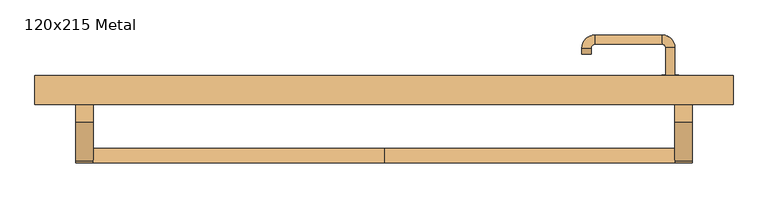
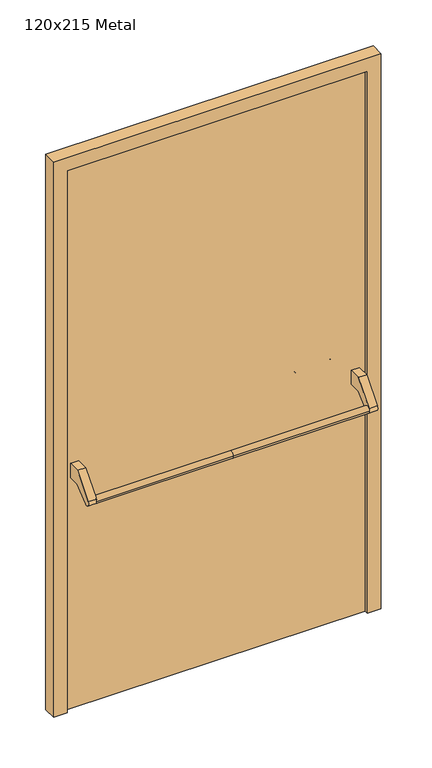
"""IFC4 building model written with IfcOpenShell, lengths in millimetres: door geometry, 120x215 Metal."""

from ifc_helpers import new_model, si_unit, point, frame, frame_2d, origin, origin_with_axes, place, context, project, spatial, polyline, circle_curve, ellipse_curve, trimmed, segment, composite_curve, outline, extrude, source, transform, mapped, element, save
from ifc_brep_helpers import plane_surface, cylinder_surface, revolved_surface, advanced_brep


def door_120x215_metal_ec084b5c(model_context):
    return source(origin(), model_context, "Body", "SolidModel", [
        advanced_brep(
        [(-500.0, -50.4171435, 861.5304884), (-500.0, -75.4171435, 861.5304884), (0.0, -50.4171435, 861.5304884), (0.0, -75.4171435, 861.5304884), (500.0, -50.4171435, 861.5304884), (500.0, -75.4171435, 861.5304884)],
        [
            (0, 1, circle_curve(frame((-500.0, -62.9171435, 861.5304884), z_axis=(-1.0, 0.0, 0.0), x_axis=(0.0, -1.0, 0.0)), 12.5)),
            (1, 0, circle_curve(frame((-500.0, -62.9171435, 861.5304884), z_axis=(-1.0, 0.0, 0.0), x_axis=(0.0, -1.0, 0.0)), 12.5)),
            (0, 2),
            (2, 3, circle_curve(frame((0.0, -62.9171435, 861.5304884), z_axis=(-1.0, 0.0, 0.0), x_axis=(0.0, -1.0, 0.0)), 12.5)),
            (3, 1),
            (3, 2, circle_curve(frame((0.0, -62.9171435, 861.5304884), z_axis=(-1.0, 0.0, 0.0), x_axis=(0.0, -1.0, 0.0)), 12.5)),
            (4, 5, circle_curve(frame((500.0, -62.9171435, 861.5304884), z_axis=(1.0, 0.0, 0.0), x_axis=(0.0, -1.0, 0.0)), 12.5)),
            (5, 4, circle_curve(frame((500.0, -62.9171435, 861.5304884), z_axis=(1.0, 0.0, 0.0), x_axis=(0.0, -1.0, 0.0)), 12.5)),
            (5, 3),
            (2, 4),
        ],
        [
            plane_surface(frame((-500.0, -75.4171435, 861.5304884), z_axis=(-1.0, 0.0, 0.0), x_axis=(0.0, 0.0, -1.0))),
            cylinder_surface(frame((-500.0, -62.9171435, 861.5304884), z_axis=(1.0, 0.0, 0.0), x_axis=(0.0, -1.0, 0.0)), 12.5),
            plane_surface(frame((500.0, -75.4171435, 861.5304884), z_axis=(1.0, 0.0, 0.0), x_axis=(0.0, 0.0, 1.0))),
            cylinder_surface(frame((0.0, -62.9171435, 861.5304884), z_axis=(1.0, 0.0, 0.0), x_axis=(0.0, -1.0, 0.0)), 12.5),
        ],
        [
            (0, [[1, 2]]),
            (1, [[3, 4, 5, -1]]),
            (1, [[-5, 6, -3, -2]]),
            (2, [[7, 8]]),
            (3, [[9, -4, 10, -8]]),
            (3, [[-10, -6, -9, -7]]),
        ],
    ),
        extrude(outline(composite_curve([segment(polyline([(-5.0, 950.0), (40.0, 950.0), (40.0, 895.2768379), (-3.5486991, 895.2768379), (-53.3415879, 853.4956432)]), True, "CONTINUOUS"), segment(trimmed(circle_curve(frame_2d((-62.9171435, 861.5304884)), 12.5), [point((-53.3415879, 853.4956432))], [point((-72.492699, 869.5653335))], False, "CARTESIAN"), True, "CONTINUOUS"), segment(polyline([(-72.492699, 869.5653335), (-5.0, 950.0)]), True, "CONTINUOUS")], self_intersect=False)), frame((-530.0, 0.0, 0.0), z_axis=(1.0, 0.0, 0.0), x_axis=(0.0, 1.0, 0.0)), (0.0, 0.0, 1.0), 30.0),
        extrude(outline(composite_curve([segment(polyline([(-5.0, 950.0), (40.0, 950.0), (40.0, 895.2768379), (-3.5486991, 895.2768379), (-53.3415879, 853.4956432)]), True, "CONTINUOUS"), segment(trimmed(circle_curve(frame_2d((-62.9171435, 861.5304884)), 12.5), [point((-53.3415879, 853.4956432))], [point((-72.492699, 869.5653335))], False, "CARTESIAN"), True, "CONTINUOUS"), segment(polyline([(-72.492699, 869.5653335), (-5.0, 950.0)]), True, "CONTINUOUS")], self_intersect=False)), frame((500.0, 0.0, 0.0), z_axis=(1.0, 0.0, 0.0), x_axis=(0.0, 1.0, 0.0)), (0.0, 0.0, 1.0), 30.0),
        extrude(outline(composite_curve([segment(trimmed(circle_curve(frame_2d((0.0, -15.0)), 15.0), [point((0.0, -30.0))], [point((0.0, 0.0))], False, "CARTESIAN"), True, "CONTINUOUS"), segment(trimmed(circle_curve(frame_2d((0.0, -15.0)), 15.0), [point((0.0, 0.0))], [point((0.0, -30.0))], False, "CARTESIAN"), True, "CONTINUOUS")], self_intersect=False), holes=[composite_curve([segment(trimmed(circle_curve(frame_2d((4.7772515, -14.9398032)), 2.0), [point((4.7772515, -16.9398032))], [point((4.7772515, -12.9398032))], True, "CARTESIAN"), True, "CONTINUOUS"), segment(polyline([(4.7772515, -12.9398032), (-5.2227485, -12.9398032)]), True, "CONTINUOUS"), segment(trimmed(circle_curve(frame_2d((-5.2227485, -14.9398032)), 2.0), [point((-5.2227485, -12.9398032))], [point((-5.2227485, -16.9398032))], True, "CARTESIAN"), True, "CONTINUOUS"), segment(polyline([(-5.2227485, -16.9398032), (4.7772515, -16.9398032)]), True, "CONTINUOUS")], self_intersect=False)]), frame((477.0, 70.0, 897.3605726), z_axis=(1.8870575173328306e-12, 1.0, 0.0), x_axis=(0.0, 0.0, -1.0)), (0.0, 0.0, 1.0), 6.35),
        extrude(outline(composite_curve([segment(trimmed(circle_curve(frame_2d((0.0, -17.526)), 17.526), [point((0.0, -35.052))], [point((0.0, 0.0))], False, "CARTESIAN"), True, "CONTINUOUS"), segment(trimmed(circle_curve(frame_2d((0.0, -17.526)), 17.526), [point((0.0, 0.0))], [point((0.0, -35.052))], False, "CARTESIAN"), True, "CONTINUOUS")], self_intersect=False)), frame((474.474, 70.0, 950.0), z_axis=(1.8870575173328306e-12, 1.0, 0.0), x_axis=(0.0, 0.0, -1.0)), (0.0, 0.0, 1.0), 3.175),
        advanced_brep(
        [(500.0, 70.0, 950.0), (484.0, 70.0, 950.0), (500.0, 123.0, 950.0), (484.0, 123.0, 950.0), (477.8578644, 129.1421356, 950.0), (477.8578644, 145.1421356, 950.0), (362.8578644, 145.1421356, 950.0), (362.8578644, 129.1421356, 950.0), (356.008622, 122.2928932, 950.0), (340.008622, 122.2928932, 950.0), (340.008622, 112.2928932, 950.0), (356.008622, 112.2928932, 950.0)],
        [
            (0, 1, circle_curve(frame((492.0, 70.0, 950.0), z_axis=(-1.888672253512351e-12, -1.0, 0.0), x_axis=(-1.0, 1.888672253512351e-12, 0.0)), 8.0)),
            (1, 0, circle_curve(frame((492.0, 70.0, 950.0), z_axis=(-1.888672253512351e-12, -1.0, 0.0), x_axis=(-1.0, 1.888672253512351e-12, 0.0)), 8.0)),
            (0, 2),
            (2, 3, circle_curve(frame((492.0, 123.0, 950.0), z_axis=(-1.888672253512351e-12, -1.0, 0.0), x_axis=(-1.0, 1.888672253512351e-12, 0.0)), 8.0)),
            (3, 1),
            (3, 2, circle_curve(frame((492.0, 123.0, 950.0), z_axis=(-1.888672253512351e-12, -1.0, 0.0), x_axis=(-1.0, 1.888672253512351e-12, 0.0)), 8.0)),
            (4, 3, circle_curve(frame((477.8578644, 123.0, 950.0), z_axis=(0.0, 0.0, -1.0), x_axis=(1.0, -1.880717803715015e-12, 0.0)), 6.1421356)),
            (2, 5, circle_curve(frame((477.8578644, 123.0, 950.0), z_axis=(0.0, 0.0, 1.0), x_axis=(1.0, -1.880717803715015e-12, 0.0)), 22.1421356)),
            (5, 4, circle_curve(frame((477.8578644, 137.1421356, 950.0), z_axis=(1.0, -1.913702061528922e-12, 0.0), x_axis=(-1.913702061528922e-12, -1.0, 0.0)), 8.0)),
            (4, 5, circle_curve(frame((477.8578644, 137.1421356, 950.0), z_axis=(1.0, -1.913702061528922e-12, 0.0), x_axis=(-1.913702061528922e-12, -1.0, 0.0)), 8.0)),
            (5, 6),
            (6, 7, circle_curve(frame((362.8578644, 137.1421356, 950.0), z_axis=(1.0, -1.913719828541269e-12, 0.0), x_axis=(-1.913719828541269e-12, -1.0, 0.0)), 8.0)),
            (7, 4),
            (7, 6, circle_curve(frame((362.8578644, 137.1421356, 950.0), z_axis=(1.0, -1.913719828541269e-12, 0.0), x_axis=(-1.913719828541269e-12, -1.0, 0.0)), 8.0)),
            (8, 7, circle_curve(frame((362.8578644, 122.2928932, 950.0), z_axis=(0.0, 0.0, -1.0), x_axis=(1.9120873253494017e-12, 1.0, 0.0)), 6.8492424)),
            (6, 9, circle_curve(frame((362.8578644, 122.2928932, 950.0), z_axis=(0.0, 0.0, 1.0), x_axis=(1.9120873253494017e-12, 1.0, 0.0)), 22.8492424)),
            (9, 8, circle_curve(frame((348.008622, 122.2928932, 950.0), z_axis=(1.890670654956676e-12, 1.0, 0.0), x_axis=(1.0, -1.890670654956676e-12, 0.0)), 8.0)),
            (8, 9, circle_curve(frame((348.008622, 122.2928932, 950.0), z_axis=(1.890226565746826e-12, 1.0, 0.0), x_axis=(1.0, -1.890226565746826e-12, 0.0)), 8.0)),
            (10, 11, circle_curve(frame((348.008622, 112.2928932, 950.0), z_axis=(-1.8903642334018795e-12, -1.0, 0.0), x_axis=(1.0, -1.8903642334018795e-12, 0.0)), 8.0)),
            (11, 10, circle_curve(frame((348.008622, 112.2928932, 950.0), z_axis=(-1.8903642334018795e-12, -1.0, 0.0), x_axis=(1.0, -1.8903642334018795e-12, 0.0)), 8.0)),
            (9, 10),
            (11, 8),
        ],
        [
            plane_surface(frame((492.0, 70.0, 170.0), z_axis=(-1.8870575173328306e-12, -1.0, 0.0), x_axis=(0.0, 0.0, 1.0))),
            cylinder_surface(frame((492.0, 70.0, 950.0), z_axis=(-1.888672253512351e-12, -1.0, 0.0), x_axis=(-1.0, 1.888672253512351e-12, 0.0)), 8.0),
            revolved_surface(trimmed(ellipse_curve(frame((492.0, 123.0, 950.0), z_axis=(-1.8823325398945356e-12, -1.0, 0.0), x_axis=(-1.0, 1.8823325398945356e-12, 0.0)), 8.0, 8.0), [point((500.0, 123.0, 950.0))], [point((484.0, 123.0, 950.0))], True, "CARTESIAN"), (477.8578644, 123.0, 170.0), (0.0, 0.0, 1.0)),
            revolved_surface(trimmed(ellipse_curve(frame((492.0, 123.0, 950.0), z_axis=(-1.8823325398945356e-12, -1.0, 0.0), x_axis=(-1.0, 1.8823325398945356e-12, 0.0)), 8.0, 8.0), [point((484.0, 123.0, 950.0))], [point((500.0, 123.0, 950.0))], True, "CARTESIAN"), (477.8578644, 123.0, 170.0), (0.0, 0.0, 1.0)),
            cylinder_surface(frame((477.8578644, 137.1421356, 950.0), z_axis=(1.0, -1.913719828541269e-12, 0.0), x_axis=(-1.913719828541269e-12, -1.0, 0.0)), 8.0),
            revolved_surface(trimmed(ellipse_curve(frame((362.8578644, 137.1421356, 950.0), z_axis=(1.0, -1.913702061528922e-12, 0.0), x_axis=(-1.913702061528922e-12, -1.0, 0.0)), 8.0, 8.0), [point((362.8578644, 145.1421356, 950.0))], [point((362.8578644, 129.1421356, 950.0))], True, "CARTESIAN"), (362.8578644, 122.2928932, 170.0), (0.0, 0.0, 1.0)),
            revolved_surface(trimmed(ellipse_curve(frame((362.8578644, 137.1421356, 950.0), z_axis=(1.0, -1.913702061528922e-12, 0.0), x_axis=(-1.913702061528922e-12, -1.0, 0.0)), 8.0, 8.0), [point((362.8578644, 129.1421356, 950.0))], [point((362.8578644, 145.1421356, 950.0))], True, "CARTESIAN"), (362.8578644, 122.2928932, 170.0), (0.0, 0.0, 1.0)),
            plane_surface(frame((348.008622, 112.2928932, 170.0), z_axis=(-1.8887494972223595e-12, -1.0, 0.0), x_axis=(0.0, 0.0, 1.0))),
            cylinder_surface(frame((348.008622, 122.2928932, 950.0), z_axis=(1.8903642334018795e-12, 1.0, 0.0), x_axis=(1.0, -1.8903642334018795e-12, 0.0)), 8.0),
        ],
        [
            (0, [[1, 2]]),
            (1, [[-1, 3, 4, 5]]),
            (1, [[-2, -5, 6, -3]]),
            (2, [[7, -4, 8, 9]]),
            (3, [[-8, -6, -7, 10]]),
            (4, [[-9, 11, 12, 13]]),
            (4, [[-10, -13, 14, -11]]),
            (5, [[15, -12, 16, 17]]),
            (6, [[-16, -14, -15, 18]]),
            (7, [[19, 20]]),
            (8, [[-17, 21, -20, 22]]),
            (8, [[-18, -22, -19, -21]]),
        ],
    ),
        extrude(outline(polyline([(2100.0, 550.0), (0.0, 550.0), (0.0, 600.0), (2150.0, 600.0), (2150.0, -600.0), (0.0, -600.0), (0.0, -550.0), (2100.0, -550.0), (2100.0, 550.0)])), frame((0.0, 25.0, 0.0), z_axis=(0.0, 1.0, 0.0), x_axis=(0.0, 0.0, 1.0)), (0.0, 0.0, 1.0), 50.0),
        extrude(outline(polyline([(-550.0, 70.0), (550.0, 70.0), (550.0, 40.0), (-550.0, 40.0), (-550.0, 70.0)])), origin_with_axes(), (0.0, 0.0, 1.0), 2100.0),
    ])


if __name__ == "__main__":
    model = new_model("IFC4")
    model_context = context("Model", 3, world=origin())
    ifc_project = project(units=[si_unit("LENGTHUNIT", "METRE", prefix="MILLI")], contexts=[model_context])
    site = spatial("IfcSite", under=ifc_project)
    building = spatial("IfcBuilding", under=site)
    placement = place(None, origin())
    door_120x215_metal_shape = door_120x215_metal_ec084b5c(model_context)
    element("IfcDoor", 1, ObjectType="120x215 Metal", at=placement, inside=building, context=model_context, shape_type="MappedRepresentation", body=[
        mapped(door_120x215_metal_shape, transform((0.0, 0.0, 0.0), x_axis=(1.0, 0.0, 0.0), y_axis=(0.0, 1.0, 0.0), z_axis=(0.0, 0.0, 1.0))),
    ])
    save(model, "model.ifc")
